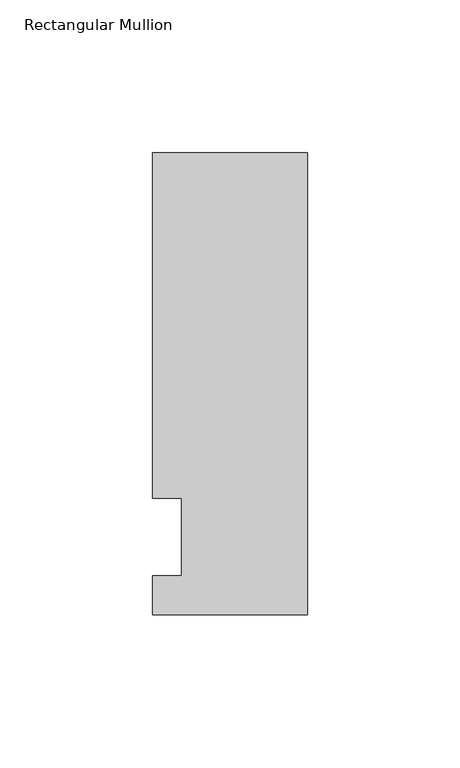
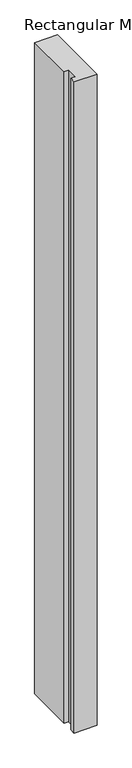
"""IFC4 building model written with IfcOpenShell, lengths in millimetres: member geometry, Rectangular Mullion."""

from ifc_helpers import new_model, si_unit, frame, origin, place, context, project, spatial, polyline, outline, extrude, source, transform, mapped, element, save


def rectangular_mullion_d8556e6e(model_context):
    return source(origin(), model_context, "Body", "SweptSolid", [
        extrude(outline(polyline([(-50.8, -25.4508252), (-50.8, -12.7), (-41.275, -12.7), (-41.275, 12.7), (-50.8, 12.7), (-50.8, 125.8533), (0.0, 125.8533), (0.0, -25.4508252), (-50.8, -25.4508252)])), frame((0.0, 0.0, -1524.0), z_axis=(0.0, 0.0, 1.0), x_axis=(1.0, 0.0, 0.0)), (0.0, 0.0, 1.0), 1524.0),
    ])


if __name__ == "__main__":
    model = new_model("IFC4")
    model_context = context("Model", 3, world=origin())
    ifc_project = project(units=[si_unit("LENGTHUNIT", "METRE", prefix="MILLI")], contexts=[model_context])
    site = spatial("IfcSite", under=ifc_project)
    building = spatial("IfcBuilding", under=site)
    placement = place(None, origin())
    rectangular_mullion_shape = rectangular_mullion_d8556e6e(model_context)
    element("IfcMember", 1, ObjectType="Rectangular Mullion", at=placement, inside=building, context=model_context, shape_type="MappedRepresentation", body=[
        mapped(rectangular_mullion_shape, transform((0.0, 0.0, 0.0), x_axis=(1.0, 0.0, 0.0), y_axis=(0.0, 1.0, 0.0), z_axis=(0.0, 0.0, 1.0))),
    ])
    save(model, "model.ifc")
